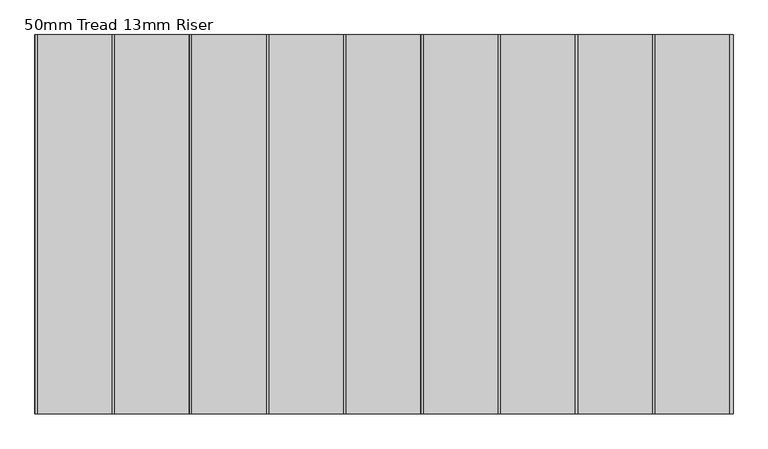
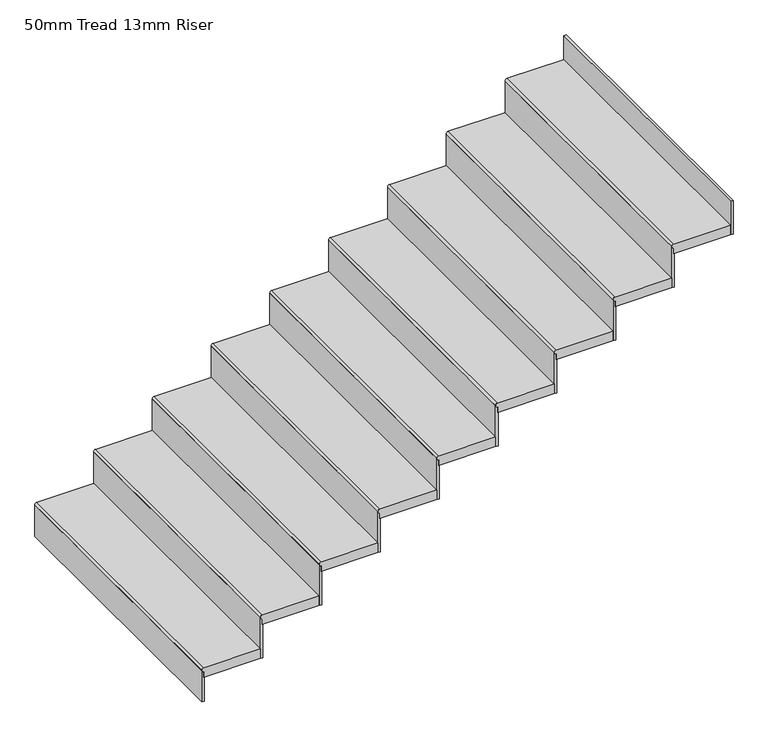
"""IFC4 building model written with IfcOpenShell, lengths in millimetres: stair flight geometry, 50mm Tread 13mm Riser."""

from ifc_helpers import new_model, si_unit, point, frame, frame_2d, origin, origin_with_axes, place, context, project, spatial, polyline, circle_curve, trimmed, segment, composite_curve, outline, extrude, source, transform, mapped, element, save


def stair_flight_50mm_tread_13mm_riser_ece630cf(model_context):
    return source(origin(), model_context, "Body", "SweptSolid", [
        extrude(outline(composite_curve([segment(polyline([(175.0, -23450.801725), (175.0, -23730.801725)]), True, "CONTINUOUS"), segment(trimmed(circle_curve(frame_2d((165.0, -23730.801725)), 10.0), [point((175.0, -23730.801725))], [point((155.0, -23730.801725))], False, "CARTESIAN"), True, "CONTINUOUS"), segment(polyline([(155.0, -23730.801725), (125.0, -23730.801725), (125.0, -23450.801725), (175.0, -23450.801725)]), True, "CONTINUOUS")], self_intersect=False)), frame((0.0, 15876.2977117, 0.0), z_axis=(0.0, 1.0, 0.0), x_axis=(0.0, 0.0, 1.0)), (0.0, 0.0, 1.0), 1425.3754696),
        extrude(outline(polyline([(-23728.301725, 15876.2977117), (-23740.801725, 15876.2977117), (-23740.801725, 17301.6731812), (-23728.301725, 17301.6731812), (-23728.301725, 15876.2977117)])), origin_with_axes(), (0.0, 0.0, 1.0), 165.0),
        extrude(outline(composite_curve([segment(polyline([(350.0, -23160.801725), (350.0, -23440.801725)]), True, "CONTINUOUS"), segment(trimmed(circle_curve(frame_2d((340.0, -23440.801725)), 10.0), [point((350.0, -23440.801725))], [point((330.0, -23440.801725))], False, "CARTESIAN"), True, "CONTINUOUS"), segment(polyline([(330.0, -23440.801725), (300.0, -23440.801725), (300.0, -23160.801725), (350.0, -23160.801725)]), True, "CONTINUOUS")], self_intersect=False)), frame((0.0, 15876.2977117, 0.0), z_axis=(0.0, 1.0, 0.0), x_axis=(0.0, 0.0, 1.0)), (0.0, 0.0, 1.0), 1425.3754696),
        extrude(outline(polyline([(-23438.301725, 15876.2977117), (-23450.801725, 15876.2977117), (-23450.801725, 17301.6731812), (-23438.301725, 17301.6731812), (-23438.301725, 15876.2977117)])), frame((0.0, 0.0, 125.0), z_axis=(0.0, 0.0, 1.0), x_axis=(1.0, 0.0, 0.0)), (0.0, 0.0, 1.0), 215.0),
        extrude(outline(composite_curve([segment(polyline([(525.0, -22870.801725), (525.0, -23150.801725)]), True, "CONTINUOUS"), segment(trimmed(circle_curve(frame_2d((515.0, -23150.801725)), 10.0), [point((525.0, -23150.801725))], [point((505.0, -23150.801725))], False, "CARTESIAN"), True, "CONTINUOUS"), segment(polyline([(505.0, -23150.801725), (475.0, -23150.801725), (475.0, -22870.801725), (525.0, -22870.801725)]), True, "CONTINUOUS")], self_intersect=False)), frame((0.0, 15876.2977117, 0.0), z_axis=(0.0, 1.0, 0.0), x_axis=(0.0, 0.0, 1.0)), (0.0, 0.0, 1.0), 1425.3754696),
        extrude(outline(polyline([(-23148.301725, 15876.2977117), (-23160.801725, 15876.2977117), (-23160.801725, 17301.6731812), (-23148.301725, 17301.6731812), (-23148.301725, 15876.2977117)])), frame((0.0, 0.0, 300.0), z_axis=(0.0, 0.0, 1.0), x_axis=(1.0, 0.0, 0.0)), (0.0, 0.0, 1.0), 215.0),
        extrude(outline(composite_curve([segment(polyline([(700.0, -22580.801725), (700.0, -22860.801725)]), True, "CONTINUOUS"), segment(trimmed(circle_curve(frame_2d((690.0, -22860.801725)), 10.0), [point((700.0, -22860.801725))], [point((680.0, -22860.801725))], False, "CARTESIAN"), True, "CONTINUOUS"), segment(polyline([(680.0, -22860.801725), (650.0, -22860.801725), (650.0, -22580.801725), (700.0, -22580.801725)]), True, "CONTINUOUS")], self_intersect=False)), frame((0.0, 15876.2977117, 0.0), z_axis=(0.0, 1.0, 0.0), x_axis=(0.0, 0.0, 1.0)), (0.0, 0.0, 1.0), 1425.3754696),
        extrude(outline(polyline([(-22858.301725, 15876.2977117), (-22870.801725, 15876.2977117), (-22870.801725, 17301.6731812), (-22858.301725, 17301.6731812), (-22858.301725, 15876.2977117)])), frame((0.0, 0.0, 475.0), z_axis=(0.0, 0.0, 1.0), x_axis=(1.0, 0.0, 0.0)), (0.0, 0.0, 1.0), 215.0),
        extrude(outline(composite_curve([segment(polyline([(875.0, -22290.801725), (875.0, -22570.801725)]), True, "CONTINUOUS"), segment(trimmed(circle_curve(frame_2d((865.0, -22570.801725)), 10.0), [point((875.0, -22570.801725))], [point((855.0, -22570.801725))], False, "CARTESIAN"), True, "CONTINUOUS"), segment(polyline([(855.0, -22570.801725), (825.0, -22570.801725), (825.0, -22290.801725), (875.0, -22290.801725)]), True, "CONTINUOUS")], self_intersect=False)), frame((0.0, 15876.2977117, 0.0), z_axis=(0.0, 1.0, 0.0), x_axis=(0.0, 0.0, 1.0)), (0.0, 0.0, 1.0), 1425.3754696),
        extrude(outline(polyline([(-22568.301725, 15876.2977117), (-22580.801725, 15876.2977117), (-22580.801725, 17301.6731812), (-22568.301725, 17301.6731812), (-22568.301725, 15876.2977117)])), frame((0.0, 0.0, 650.0), z_axis=(0.0, 0.0, 1.0), x_axis=(1.0, 0.0, 0.0)), (0.0, 0.0, 1.0), 215.0),
        extrude(outline(composite_curve([segment(polyline([(1050.0, -22000.801725), (1050.0, -22280.801725)]), True, "CONTINUOUS"), segment(trimmed(circle_curve(frame_2d((1040.0, -22280.801725)), 10.0), [point((1050.0, -22280.801725))], [point((1030.0, -22280.801725))], False, "CARTESIAN"), True, "CONTINUOUS"), segment(polyline([(1030.0, -22280.801725), (1000.0, -22280.801725), (1000.0, -22000.801725), (1050.0, -22000.801725)]), True, "CONTINUOUS")], self_intersect=False)), frame((0.0, 15876.2977117, 0.0), z_axis=(0.0, 1.0, 0.0), x_axis=(0.0, 0.0, 1.0)), (0.0, 0.0, 1.0), 1425.3754696),
        extrude(outline(polyline([(-22278.301725, 15876.2977117), (-22290.801725, 15876.2977117), (-22290.801725, 17301.6731812), (-22278.301725, 17301.6731812), (-22278.301725, 15876.2977117)])), frame((0.0, 0.0, 825.0), z_axis=(0.0, 0.0, 1.0), x_axis=(1.0, 0.0, 0.0)), (0.0, 0.0, 1.0), 215.0),
        extrude(outline(composite_curve([segment(polyline([(1225.0, -21710.801725), (1225.0, -21990.801725)]), True, "CONTINUOUS"), segment(trimmed(circle_curve(frame_2d((1215.0, -21990.801725)), 10.0), [point((1225.0, -21990.801725))], [point((1205.0, -21990.801725))], False, "CARTESIAN"), True, "CONTINUOUS"), segment(polyline([(1205.0, -21990.801725), (1175.0, -21990.801725), (1175.0, -21710.801725), (1225.0, -21710.801725)]), True, "CONTINUOUS")], self_intersect=False)), frame((0.0, 15876.2977117, 0.0), z_axis=(0.0, 1.0, 0.0), x_axis=(0.0, 0.0, 1.0)), (0.0, 0.0, 1.0), 1425.3754696),
        extrude(outline(polyline([(-21988.301725, 15876.2977117), (-22000.801725, 15876.2977117), (-22000.801725, 17301.6731812), (-21988.301725, 17301.6731812), (-21988.301725, 15876.2977117)])), frame((0.0, 0.0, 1000.0), z_axis=(0.0, 0.0, 1.0), x_axis=(1.0, 0.0, 0.0)), (0.0, 0.0, 1.0), 215.0),
        extrude(outline(composite_curve([segment(polyline([(1400.0, -21420.801725), (1400.0, -21700.801725)]), True, "CONTINUOUS"), segment(trimmed(circle_curve(frame_2d((1390.0, -21700.801725)), 10.0), [point((1400.0, -21700.801725))], [point((1380.0, -21700.801725))], False, "CARTESIAN"), True, "CONTINUOUS"), segment(polyline([(1380.0, -21700.801725), (1350.0, -21700.801725), (1350.0, -21420.801725), (1400.0, -21420.801725)]), True, "CONTINUOUS")], self_intersect=False)), frame((0.0, 15876.2977117, 0.0), z_axis=(0.0, 1.0, 0.0), x_axis=(0.0, 0.0, 1.0)), (0.0, 0.0, 1.0), 1425.3754696),
        extrude(outline(polyline([(-21698.301725, 15876.2977117), (-21710.801725, 15876.2977117), (-21710.801725, 17301.6731812), (-21698.301725, 17301.6731812), (-21698.301725, 15876.2977117)])), frame((0.0, 0.0, 1175.0), z_axis=(0.0, 0.0, 1.0), x_axis=(1.0, 0.0, 0.0)), (0.0, 0.0, 1.0), 215.0),
        extrude(outline(composite_curve([segment(polyline([(1575.0, -21130.801725), (1575.0, -21410.801725)]), True, "CONTINUOUS"), segment(trimmed(circle_curve(frame_2d((1565.0, -21410.801725)), 10.0), [point((1575.0, -21410.801725))], [point((1555.0, -21410.801725))], False, "CARTESIAN"), True, "CONTINUOUS"), segment(polyline([(1555.0, -21410.801725), (1525.0, -21410.801725), (1525.0, -21130.801725), (1575.0, -21130.801725)]), True, "CONTINUOUS")], self_intersect=False)), frame((0.0, 15876.2977117, 0.0), z_axis=(0.0, 1.0, 0.0), x_axis=(0.0, 0.0, 1.0)), (0.0, 0.0, 1.0), 1425.3754696),
        extrude(outline(polyline([(-21408.301725, 15876.2977117), (-21420.801725, 15876.2977117), (-21420.801725, 17301.6731812), (-21408.301725, 17301.6731812), (-21408.301725, 15876.2977117)])), frame((0.0, 0.0, 1350.0), z_axis=(0.0, 0.0, 1.0), x_axis=(1.0, 0.0, 0.0)), (0.0, 0.0, 1.0), 215.0),
        extrude(outline(polyline([(-21118.301725, 15876.2977117), (-21130.801725, 15876.2977117), (-21130.801725, 17301.6731812), (-21118.301725, 17301.6731812), (-21118.301725, 15876.2977117)])), frame((0.0, 0.0, 1525.0), z_axis=(0.0, 0.0, 1.0), x_axis=(1.0, 0.0, 0.0)), (0.0, 0.0, 1.0), 175.0),
    ])


if __name__ == "__main__":
    model = new_model("IFC4")
    model_context = context("Model", 3, world=origin())
    ifc_project = project(units=[si_unit("LENGTHUNIT", "METRE", prefix="MILLI")], contexts=[model_context])
    site = spatial("IfcSite", under=ifc_project)
    building = spatial("IfcBuilding", under=site)
    placement = place(None, origin())
    stair_flight_50mm_tread_13mm_riser_shape = stair_flight_50mm_tread_13mm_riser_ece630cf(model_context)
    element("IfcStairFlight", 1, ObjectType="50mm Tread 13mm Riser", at=placement, inside=building, context=model_context, shape_type="MappedRepresentation", body=[
        mapped(stair_flight_50mm_tread_13mm_riser_shape, transform((0.0, 0.0, 0.0), x_axis=(1.0, 0.0, 0.0), y_axis=(0.0, 1.0, 0.0), z_axis=(0.0, 0.0, 1.0))),
    ])
    save(model, "model.ifc")
